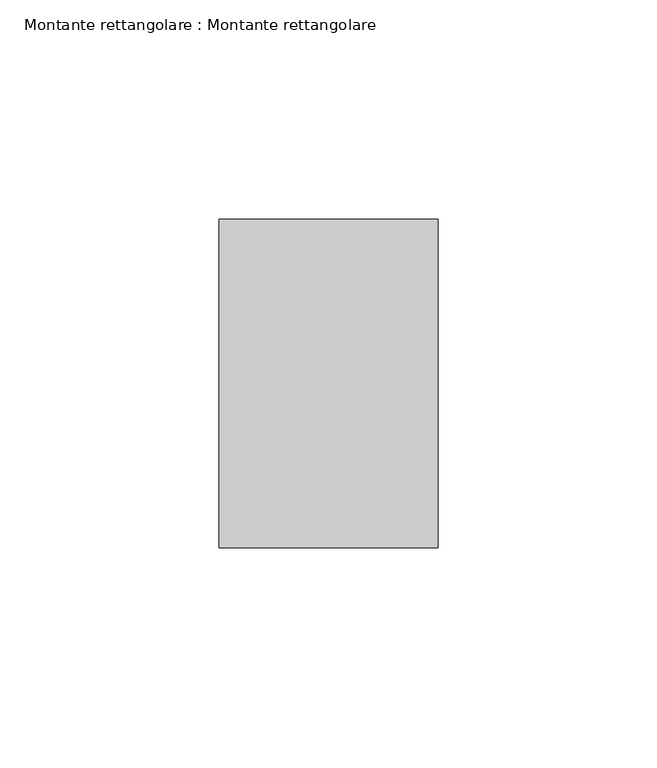
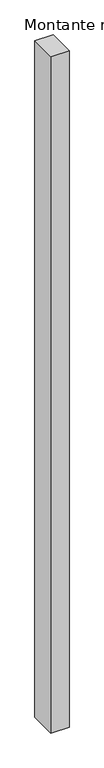
"""IFC4 building model written with IfcOpenShell, lengths in millimetres: member geometry, Montante rettangolare : Montante rettangolare."""

from ifc_helpers import new_model, si_unit, frame, origin, place, context, project, spatial, polyline, outline, extrude, source, transform, mapped, element, save


def montante_rettangolare_montante_rettangolare_f0a78879(model_context):
    return source(origin(), model_context, "Body", "SweptSolid", [
        extrude(outline(polyline([(0.0, 37.5), (0.0, -37.5), (-50.0, -37.5), (-50.0, 37.5), (0.0, 37.5)])), frame((0.0, 0.0, -1955.0), z_axis=(0.0, 0.0, 1.0), x_axis=(1.0, 0.0, 0.0)), (0.0, 0.0, 1.0), 1955.0),
    ])


if __name__ == "__main__":
    model = new_model("IFC4")
    model_context = context("Model", 3, world=origin())
    ifc_project = project(units=[si_unit("LENGTHUNIT", "METRE", prefix="MILLI")], contexts=[model_context])
    site = spatial("IfcSite", under=ifc_project)
    building = spatial("IfcBuilding", under=site)
    placement = place(None, origin())
    montante_rettangolare_montante_rettangolare_shape = montante_rettangolare_montante_rettangolare_f0a78879(model_context)
    element("IfcMember", 1, ObjectType="Montante rettangolare : Montante rettangolare", at=placement, inside=building, context=model_context, shape_type="MappedRepresentation", body=[
        mapped(montante_rettangolare_montante_rettangolare_shape, transform((0.0, 0.0, 0.0), x_axis=(1.0, 0.0, 0.0), y_axis=(0.0, 1.0, 0.0), z_axis=(0.0, 0.0, 1.0))),
    ])
    save(model, "model.ifc")
